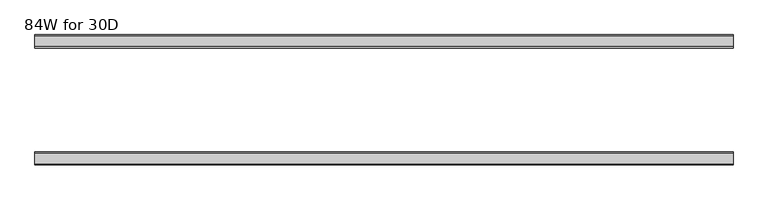
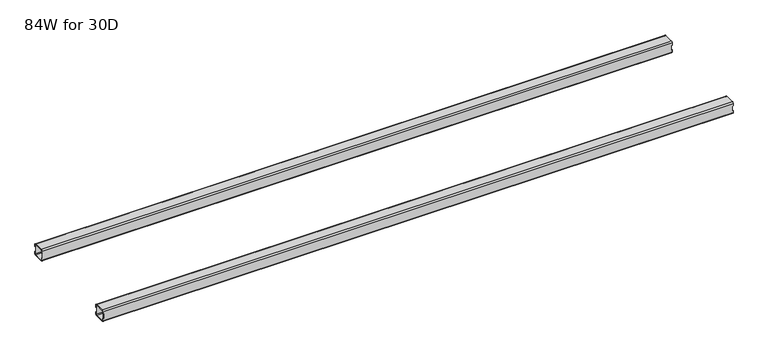
"""IFC4 building model written with IfcOpenShell, lengths in millimetres: furniture geometry, 84W for 30D."""

from ifc_helpers import new_model, si_unit, frame, origin, place, context, project, spatial, polyline, circle_curve, source, transform, mapped, element, save
from ifc_brep_helpers import plane_surface, cylinder_surface, revolved_surface, advanced_brep


def furniture_84w_for_30d_13c526d3(model_context):
    return source(origin(), model_context, "Body", "AdvancedBrep", [
        advanced_brep(
        [(2108.6028, -507.012, 653.351), (2108.6028, -509.012, 651.351), (2108.6028, -541.012, 651.351), (2108.6028, -543.012, 653.351), (2108.6028, -543.012, 660.851), (2108.6028, -545.012, 660.851), (2108.6028, -545.012, 653.351), (2108.6028, -541.012, 649.351), (2108.6028, -509.012, 649.351), (2108.6028, -505.012, 653.351), (2108.6028, -505.012, 660.851), (2108.6028, -507.012, 660.851), (2108.6028, -543.012, 684.975), (2108.6028, -541.012, 686.975), (2108.6028, -509.012, 686.975), (2108.6028, -507.012, 684.975), (2108.6028, -507.012, 677.475), (2108.6028, -505.012, 677.475), (2108.6028, -505.012, 684.975), (2108.6028, -509.012, 688.975), (2108.6028, -541.012, 688.975), (2108.6028, -545.012, 684.975), (2108.6028, -545.012, 677.475), (2108.6028, -543.012, 677.475), (22.0, -507.012, 684.975), (22.0, -509.012, 686.975), (22.0, -541.012, 686.975), (22.0, -543.012, 684.975), (22.0, -543.012, 677.475), (22.0, -545.012, 677.475), (22.0, -545.012, 684.975), (22.0, -541.012, 688.975), (22.0, -509.012, 688.975), (22.0, -505.012, 684.975), (22.0, -505.012, 677.475), (22.0, -507.012, 677.475), (22.0, -543.012, 653.351), (22.0, -541.012, 651.351), (22.0, -509.012, 651.351), (22.0, -507.012, 653.351), (22.0, -507.012, 660.851), (22.0, -505.012, 660.851), (22.0, -505.012, 653.351), (22.0, -509.012, 649.351), (22.0, -541.012, 649.351), (22.0, -545.012, 653.351), (22.0, -545.012, 660.851), (22.0, -543.012, 660.851), (23.365, -543.012, 660.851), (24.0, -543.012, 661.486), (24.0, -543.012, 676.84), (23.365, -543.012, 677.475), (2107.2378, -543.012, 677.475), (2106.6028, -543.012, 676.84), (2106.6028, -543.012, 661.486), (2107.2378, -543.012, 660.851), (2107.2378, -507.012, 660.851), (2106.6028, -507.012, 661.486), (2106.6028, -507.012, 676.84), (2107.2378, -507.012, 677.475), (23.365, -507.012, 677.475), (24.0, -507.012, 676.84), (24.0, -507.012, 661.486), (23.365, -507.012, 660.851), (23.365, -545.012, 677.475), (24.0, -545.012, 676.84), (24.0, -545.012, 661.486), (23.365, -545.012, 660.851), (2107.2378, -545.012, 660.851), (2106.6028, -545.012, 661.486), (2106.6028, -545.012, 676.84), (2107.2378, -545.012, 677.475), (2107.2378, -505.012, 677.475), (2106.6028, -505.012, 676.84), (2106.6028, -505.012, 661.486), (2107.2378, -505.012, 660.851), (23.365, -505.012, 660.851), (24.0, -505.012, 661.486), (24.0, -505.012, 676.84), (23.365, -505.012, 677.475)],
        [
            (0, 1, circle_curve(frame((2108.6028, -509.012, 653.351), z_axis=(-1.0, 0.0, 0.0), x_axis=(0.0, 1.0, 0.0)), 2.0)),
            (1, 2),
            (2, 3, circle_curve(frame((2108.6028, -541.012, 653.351), z_axis=(-1.0, 0.0, 0.0), x_axis=(0.0, 1.0, 0.0)), 2.0)),
            (3, 4),
            (4, 5),
            (5, 6),
            (6, 7, circle_curve(frame((2108.6028, -541.012, 653.351), z_axis=(1.0, 0.0, 0.0), x_axis=(0.0, 1.0, 0.0)), 4.0)),
            (7, 8),
            (8, 9, circle_curve(frame((2108.6028, -509.012, 653.351), z_axis=(1.0, 0.0, 0.0), x_axis=(0.0, 1.0, 0.0)), 4.0)),
            (9, 10),
            (10, 11),
            (11, 0),
            (12, 13, circle_curve(frame((2108.6028, -541.012, 684.975), z_axis=(-1.0, 0.0, 0.0), x_axis=(0.0, 1.0, 0.0)), 2.0)),
            (13, 14),
            (14, 15, circle_curve(frame((2108.6028, -509.012, 684.975), z_axis=(-1.0, 0.0, 0.0), x_axis=(0.0, 1.0, 0.0)), 2.0)),
            (15, 16),
            (16, 17),
            (17, 18),
            (18, 19, circle_curve(frame((2108.6028, -509.012, 684.975), z_axis=(1.0, 0.0, 0.0), x_axis=(0.0, 1.0, 0.0)), 4.0)),
            (19, 20),
            (20, 21, circle_curve(frame((2108.6028, -541.012, 684.975), z_axis=(1.0, 0.0, 0.0), x_axis=(0.0, 1.0, 0.0)), 4.0)),
            (21, 22),
            (22, 23),
            (23, 12),
            (24, 25, circle_curve(frame((22.0, -509.012, 684.975), z_axis=(1.0, 0.0, 0.0), x_axis=(0.0, 1.0, 0.0)), 2.0)),
            (25, 26),
            (26, 27, circle_curve(frame((22.0, -541.012, 684.975), z_axis=(1.0, 0.0, 0.0), x_axis=(0.0, 1.0, 0.0)), 2.0)),
            (27, 28),
            (28, 29),
            (29, 30),
            (30, 31, circle_curve(frame((22.0, -541.012, 684.975), z_axis=(-1.0, 0.0, 0.0), x_axis=(0.0, 1.0, 0.0)), 4.0)),
            (31, 32),
            (32, 33, circle_curve(frame((22.0, -509.012, 684.975), z_axis=(-1.0, 0.0, 0.0), x_axis=(0.0, 1.0, 0.0)), 4.0)),
            (33, 34),
            (34, 35),
            (35, 24),
            (36, 37, circle_curve(frame((22.0, -541.012, 653.351), z_axis=(1.0, 0.0, 0.0), x_axis=(0.0, 1.0, 0.0)), 2.0)),
            (37, 38),
            (38, 39, circle_curve(frame((22.0, -509.012, 653.351), z_axis=(1.0, 0.0, 0.0), x_axis=(0.0, 1.0, 0.0)), 2.0)),
            (39, 40),
            (40, 41),
            (41, 42),
            (42, 43, circle_curve(frame((22.0, -509.012, 653.351), z_axis=(-1.0, 0.0, 0.0), x_axis=(0.0, 1.0, 0.0)), 4.0)),
            (43, 44),
            (44, 45, circle_curve(frame((22.0, -541.012, 653.351), z_axis=(-1.0, 0.0, 0.0), x_axis=(0.0, 1.0, 0.0)), 4.0)),
            (45, 46),
            (46, 47),
            (47, 36),
            (0, 39),
            (38, 1),
            (37, 2),
            (36, 3),
            (47, 48),
            (48, 49, circle_curve(frame((23.365, -543.012, 661.486), z_axis=(0.0, -1.0, 0.0), x_axis=(1.0, 0.0, 0.0)), 0.635)),
            (49, 50),
            (50, 51, circle_curve(frame((23.365, -543.012, 676.84), z_axis=(0.0, -1.0, 0.0), x_axis=(1.0, 0.0, 0.0)), 0.635)),
            (51, 28),
            (27, 12),
            (23, 52),
            (52, 53, circle_curve(frame((2107.2378, -543.012, 676.84), z_axis=(0.0, -1.0, 0.0), x_axis=(1.0, 0.0, 0.0)), 0.635)),
            (53, 54),
            (54, 55, circle_curve(frame((2107.2378, -543.012, 661.486), z_axis=(0.0, -1.0, 0.0), x_axis=(1.0, 0.0, 0.0)), 0.635)),
            (55, 4),
            (26, 13),
            (25, 14),
            (24, 15),
            (11, 56),
            (56, 57, circle_curve(frame((2107.2378, -507.012, 661.486), z_axis=(0.0, 1.0, 0.0), x_axis=(1.0, 0.0, 0.0)), 0.635)),
            (57, 58),
            (58, 59, circle_curve(frame((2107.2378, -507.012, 676.84), z_axis=(0.0, 1.0, 0.0), x_axis=(1.0, 0.0, 0.0)), 0.635)),
            (59, 16),
            (35, 60),
            (60, 61, circle_curve(frame((23.365, -507.012, 676.84), z_axis=(0.0, 1.0, 0.0), x_axis=(1.0, 0.0, 0.0)), 0.635)),
            (61, 62),
            (62, 63, circle_curve(frame((23.365, -507.012, 661.486), z_axis=(0.0, 1.0, 0.0), x_axis=(1.0, 0.0, 0.0)), 0.635)),
            (63, 40),
            (18, 33),
            (32, 19),
            (31, 20),
            (30, 21),
            (29, 64),
            (64, 65, circle_curve(frame((23.365, -545.012, 676.84), z_axis=(0.0, 1.0, 0.0), x_axis=(1.0, 0.0, 0.0)), 0.635)),
            (65, 66),
            (66, 67, circle_curve(frame((23.365, -545.012, 661.486), z_axis=(0.0, 1.0, 0.0), x_axis=(1.0, 0.0, 0.0)), 0.635)),
            (67, 46),
            (45, 6),
            (5, 68),
            (68, 69, circle_curve(frame((2107.2378, -545.012, 661.486), z_axis=(0.0, 1.0, 0.0), x_axis=(1.0, 0.0, 0.0)), 0.635)),
            (69, 70),
            (70, 71, circle_curve(frame((2107.2378, -545.012, 676.84), z_axis=(0.0, 1.0, 0.0), x_axis=(1.0, 0.0, 0.0)), 0.635)),
            (71, 22),
            (44, 7),
            (43, 8),
            (42, 9),
            (17, 72),
            (72, 73, circle_curve(frame((2107.2378, -505.012, 676.84), z_axis=(0.0, -1.0, 0.0), x_axis=(1.0, 0.0, 0.0)), 0.635)),
            (73, 74),
            (74, 75, circle_curve(frame((2107.2378, -505.012, 661.486), z_axis=(0.0, -1.0, 0.0), x_axis=(1.0, 0.0, 0.0)), 0.635)),
            (75, 10),
            (41, 76),
            (76, 77, circle_curve(frame((23.365, -505.012, 661.486), z_axis=(0.0, -1.0, 0.0), x_axis=(1.0, 0.0, 0.0)), 0.635)),
            (77, 78),
            (78, 79, circle_curve(frame((23.365, -505.012, 676.84), z_axis=(0.0, -1.0, 0.0), x_axis=(1.0, 0.0, 0.0)), 0.635)),
            (79, 34),
            (71, 52),
            (59, 72),
            (70, 53),
            (58, 73),
            (69, 54),
            (57, 74),
            (68, 55),
            (56, 75),
            (51, 64),
            (79, 60),
            (67, 48),
            (63, 76),
            (66, 49),
            (62, 77),
            (65, 50),
            (61, 78),
        ],
        [
            plane_surface(frame((2108.6028, -507.012, 653.351), z_axis=(1.0, 0.0, 0.0), x_axis=(0.0, 0.0, -1.0))),
            plane_surface(frame((22.0, -507.012, 653.351), z_axis=(-1.0, 0.0, 0.0), x_axis=(0.0, 0.0, 1.0))),
            revolved_surface(polyline([(22.0, -507.012, 653.351), (2108.6028, -507.012, 653.351)]), (22.0, -509.012, 653.351), (-1.0, 0.0, 0.0)),
            plane_surface(frame((2108.6028, -509.012, 651.351), z_axis=(0.0, -5.198608210600595e-12, 1.0), x_axis=(-1.0, 0.0, 0.0))),
            revolved_surface(polyline([(22.0, -539.012, 653.351), (2108.6028, -539.012, 653.351)]), (22.0, -541.012, 653.351), (-1.0, 0.0, 0.0)),
            plane_surface(frame((2108.6028, -543.012, 653.351), z_axis=(0.0, 1.0, 0.0), x_axis=(-1.0, 0.0, 0.0))),
            revolved_surface(polyline([(22.0, -539.012, 684.975), (2108.6028, -539.012, 684.975)]), (22.0, -541.012, 684.975), (-1.0, 0.0, 0.0)),
            plane_surface(frame((2108.6028, -541.012, 686.975), z_axis=(0.0, 0.0, -1.0), x_axis=(-1.0, 0.0, 0.0))),
            revolved_surface(polyline([(22.0, -507.012, 684.975), (2108.6028, -507.012, 684.975)]), (22.0, -509.012, 684.975), (-1.0, 0.0, 0.0)),
            plane_surface(frame((2108.6028, -507.012, 684.975), z_axis=(0.0, -1.0, 0.0), x_axis=(-1.0, 0.0, 0.0))),
            cylinder_surface(frame((0.0, -509.012, 684.975), z_axis=(1.0, 0.0, 0.0), x_axis=(0.0, 1.0, 0.0)), 4.0),
            plane_surface(frame((2108.6028, -509.012, 688.975), z_axis=(0.0, 0.0, 1.0), x_axis=(-1.0, 0.0, 0.0))),
            cylinder_surface(frame((0.0, -541.012, 684.975), z_axis=(1.0, 0.0, 0.0), x_axis=(0.0, 1.0, 0.0)), 4.0),
            plane_surface(frame((2108.6028, -545.012, 684.975), z_axis=(0.0, -1.0, 0.0), x_axis=(-1.0, 0.0, 0.0))),
            cylinder_surface(frame((0.0, -541.012, 653.351), z_axis=(1.0, 0.0, 0.0), x_axis=(0.0, 1.0, 0.0)), 4.0),
            plane_surface(frame((2108.6028, -541.012, 649.351), z_axis=(0.0, 0.0, -1.0), x_axis=(-1.0, 0.0, 0.0))),
            cylinder_surface(frame((0.0, -509.012, 653.351), z_axis=(1.0, 0.0, 0.0), x_axis=(0.0, 1.0, 0.0)), 4.0),
            plane_surface(frame((2108.6028, -505.012, 653.351), z_axis=(0.0, 1.0, -5.2518576384018155e-12), x_axis=(-1.0, 0.0, 0.0))),
            plane_surface(frame((2108.6028, -545.012, 677.475), z_axis=(1.130465684452016e-11, 0.0, -1.0), x_axis=(0.0, 1.0, 0.0))),
            revolved_surface(polyline([(2107.8728, -545.012, 676.84), (2107.8728, -543.012, 676.84)]), (2107.2378, -505.012, 676.84), (0.0, -1.0, 0.0)),
            revolved_surface(polyline([(2107.8728, -507.012, 676.84), (2107.8728, -505.012, 676.84)]), (2107.2378, -505.012, 676.84), (0.0, -1.0, 0.0)),
            plane_surface(frame((2106.6028, -545.012, 676.84), z_axis=(1.0, 0.0, 0.0), x_axis=(0.0, 1.0, 0.0))),
            revolved_surface(polyline([(2107.8728, -545.012, 661.486), (2107.8728, -543.012, 661.486)]), (2107.2378, -505.012, 661.486), (0.0, -1.0, 0.0)),
            revolved_surface(polyline([(2107.8728, -507.012, 661.486), (2107.8728, -505.012, 661.486)]), (2107.2378, -505.012, 661.486), (0.0, -1.0, 0.0)),
            plane_surface(frame((2107.2378, -545.012, 660.851), z_axis=(0.0, 0.0, 1.0), x_axis=(0.0, 1.0, 0.0))),
            plane_surface(frame((23.365, -545.012, 677.475), z_axis=(0.0, 0.0, -1.0), x_axis=(0.0, 1.0, 0.0))),
            plane_surface(frame((22.0, -545.012, 660.851), z_axis=(-1.1502984157403295e-11, 0.0, 1.0), x_axis=(0.0, 1.0, 0.0))),
            revolved_surface(polyline([(24.0, -545.012, 661.486), (24.0, -543.012, 661.486)]), (23.365, -505.012, 661.486), (0.0, -1.0, 0.0)),
            revolved_surface(polyline([(24.0, -507.012, 661.486), (24.0, -505.012, 661.486)]), (23.365, -505.012, 661.486), (0.0, -1.0, 0.0)),
            plane_surface(frame((24.0, -545.012, 661.486), z_axis=(-1.0, 0.0, 0.0), x_axis=(0.0, 1.0, 0.0))),
            revolved_surface(polyline([(24.0, -545.012, 676.84), (24.0, -543.012, 676.84)]), (23.365, -505.012, 676.84), (0.0, -1.0, 0.0)),
            revolved_surface(polyline([(24.0, -507.012, 676.84), (24.0, -505.012, 676.84)]), (23.365, -505.012, 676.84), (0.0, -1.0, 0.0)),
        ],
        [
            (0, [[1, 2, 3, 4, 5, 6, 7, 8, 9, 10, 11, 12]]),
            (0, [[13, 14, 15, 16, 17, 18, 19, 20, 21, 22, 23, 24]]),
            (1, [[25, 26, 27, 28, 29, 30, 31, 32, 33, 34, 35, 36]]),
            (1, [[37, 38, 39, 40, 41, 42, 43, 44, 45, 46, 47, 48]]),
            (2, [[-1, 49, -39, 50]]),
            (3, [[-2, -50, -38, 51]]),
            (4, [[-3, -51, -37, 52]]),
            (5, [[-52, -48, 53, 54, 55, 56, 57, -28, 58, -24, 59, 60, 61, 62, 63, -4]]),
            (6, [[-13, -58, -27, 64]]),
            (7, [[-14, -64, -26, 65]]),
            (8, [[-15, -65, -25, 66]]),
            (9, [[-49, -12, 67, 68, 69, 70, 71, -16, -66, -36, 72, 73, 74, 75, 76, -40]]),
            (10, [[-19, 77, -33, 78]]),
            (11, [[-20, -78, -32, 79]]),
            (12, [[-21, -79, -31, 80]]),
            (13, [[-80, -30, 81, 82, 83, 84, 85, -46, 86, -6, 87, 88, 89, 90, 91, -22]]),
            (14, [[-7, -86, -45, 92]]),
            (15, [[-8, -92, -44, 93]]),
            (16, [[-9, -93, -43, 94]]),
            (17, [[-77, -18, 95, 96, 97, 98, 99, -10, -94, -42, 100, 101, 102, 103, 104, -34]]),
            (18, [[105, -59, -23, -91]]),
            (18, [[106, -95, -17, -71]]),
            (19, [[-105, -90, 107, -60]]),
            (20, [[-106, -70, 108, -96]]),
            (21, [[-107, -89, 109, -61]]),
            (21, [[-108, -69, 110, -97]]),
            (22, [[-109, -88, 111, -62]]),
            (23, [[-110, -68, 112, -98]]),
            (24, [[-111, -87, -5, -63]]),
            (24, [[-112, -67, -11, -99]]),
            (25, [[113, -81, -29, -57]]),
            (25, [[114, -72, -35, -104]]),
            (26, [[115, -53, -47, -85]]),
            (26, [[116, -100, -41, -76]]),
            (27, [[-115, -84, 117, -54]]),
            (28, [[-116, -75, 118, -101]]),
            (29, [[-117, -83, 119, -55]]),
            (29, [[-118, -74, 120, -102]]),
            (30, [[-113, -56, -119, -82]]),
            (31, [[-114, -103, -120, -73]]),
        ],
    ),
        advanced_brep(
        [(2108.6028, -192.9996202, 684.975), (2108.6028, -190.9996202, 686.975), (2108.6028, -159.0003798, 686.975), (2108.6028, -157.0003798, 684.975), (2108.6028, -157.0003798, 677.475), (2108.6028, -155.0003798, 677.475), (2108.6028, -155.0003798, 684.975), (2108.6028, -159.0003798, 688.975), (2108.6028, -190.9996202, 688.975), (2108.6028, -194.9996202, 684.975), (2108.6028, -194.9996202, 677.475), (2108.6028, -192.9996202, 677.475), (2108.6028, -157.0003798, 653.351), (2108.6028, -159.0003798, 651.351), (2108.6028, -190.9996202, 651.351), (2108.6028, -192.9996202, 653.351), (2108.6028, -192.9996202, 660.851), (2108.6028, -194.9996202, 660.851), (2108.6028, -194.9996202, 653.351), (2108.6028, -190.9996202, 649.351), (2108.6028, -159.0003798, 649.351), (2108.6028, -155.0003798, 653.351), (2108.6028, -155.0003798, 660.851), (2108.6028, -157.0003798, 660.851), (22.0, -192.9996202, 653.351), (22.0, -190.9996202, 651.351), (22.0, -159.0003798, 651.351), (22.0, -157.0003798, 653.351), (22.0, -157.0003798, 660.851), (22.0, -155.0003798, 660.851), (22.0, -155.0003798, 653.351), (22.0, -159.0003798, 649.351), (22.0, -190.9996202, 649.351), (22.0, -194.9996202, 653.351), (22.0, -194.9996202, 660.851), (22.0, -192.9996202, 660.851), (22.0, -157.0003798, 684.975), (22.0, -159.0003798, 686.975), (22.0, -190.9996202, 686.975), (22.0, -192.9996202, 684.975), (22.0, -192.9996202, 677.475), (22.0, -194.9996202, 677.475), (22.0, -194.9996202, 684.975), (22.0, -190.9996202, 688.975), (22.0, -159.0003798, 688.975), (22.0, -155.0003798, 684.975), (22.0, -155.0003798, 677.475), (22.0, -157.0003798, 677.475), (2107.2378, -157.0003798, 660.851), (2106.6028, -157.0003798, 661.486), (2106.6028, -157.0003798, 676.84), (2107.2378, -157.0003798, 677.475), (23.365, -157.0003798, 677.475), (24.0, -157.0003798, 676.84), (24.0, -157.0003798, 661.486), (23.365, -157.0003798, 660.851), (23.365, -192.9996202, 660.851), (24.0, -192.9996202, 661.486), (24.0, -192.9996202, 676.84), (23.365, -192.9996202, 677.475), (2107.2378, -192.9996202, 677.475), (2106.6028, -192.9996202, 676.84), (2106.6028, -192.9996202, 661.486), (2107.2378, -192.9996202, 660.851), (2107.2378, -155.0003798, 677.475), (2106.6028, -155.0003798, 676.84), (2106.6028, -155.0003798, 661.486), (2107.2378, -155.0003798, 660.851), (23.365, -155.0003798, 660.851), (24.0, -155.0003798, 661.486), (24.0, -155.0003798, 676.84), (23.365, -155.0003798, 677.475), (23.365, -194.9996202, 677.475), (24.0, -194.9996202, 676.84), (24.0, -194.9996202, 661.486), (23.365, -194.9996202, 660.851), (2107.2378, -194.9996202, 660.851), (2106.6028, -194.9996202, 661.486), (2106.6028, -194.9996202, 676.84), (2107.2378, -194.9996202, 677.475)],
        [
            (0, 1, circle_curve(frame((2108.6028, -190.9996202, 684.975), z_axis=(-1.0, 0.0, 0.0), x_axis=(0.0, -1.0, 0.0)), 2.0)),
            (1, 2),
            (2, 3, circle_curve(frame((2108.6028, -159.0003798, 684.975), z_axis=(-1.0, 0.0, 0.0), x_axis=(0.0, -1.0, 0.0)), 2.0)),
            (3, 4),
            (4, 5),
            (5, 6),
            (6, 7, circle_curve(frame((2108.6028, -159.0003798, 684.975), z_axis=(1.0, 0.0, 0.0), x_axis=(0.0, -1.0, 0.0)), 4.0)),
            (7, 8),
            (8, 9, circle_curve(frame((2108.6028, -190.9996202, 684.975), z_axis=(1.0, 0.0, 0.0), x_axis=(0.0, -1.0, 0.0)), 4.0)),
            (9, 10),
            (10, 11),
            (11, 0),
            (12, 13, circle_curve(frame((2108.6028, -159.0003798, 653.351), z_axis=(-1.0, 0.0, 0.0), x_axis=(0.0, -1.0, 0.0)), 2.0)),
            (13, 14),
            (14, 15, circle_curve(frame((2108.6028, -190.9996202, 653.351), z_axis=(-1.0, 0.0, 0.0), x_axis=(0.0, -1.0, 0.0)), 2.0)),
            (15, 16),
            (16, 17),
            (17, 18),
            (18, 19, circle_curve(frame((2108.6028, -190.9996202, 653.351), z_axis=(1.0, 0.0, 0.0), x_axis=(0.0, -1.0, 0.0)), 4.0)),
            (19, 20),
            (20, 21, circle_curve(frame((2108.6028, -159.0003798, 653.351), z_axis=(1.0, 0.0, 0.0), x_axis=(0.0, -1.0, 0.0)), 4.0)),
            (21, 22),
            (22, 23),
            (23, 12),
            (24, 25, circle_curve(frame((22.0, -190.9996202, 653.351), z_axis=(1.0, 0.0, 0.0), x_axis=(0.0, -1.0, 0.0)), 2.0)),
            (25, 26),
            (26, 27, circle_curve(frame((22.0, -159.0003798, 653.351), z_axis=(1.0, 0.0, 0.0), x_axis=(0.0, -1.0, 0.0)), 2.0)),
            (27, 28),
            (28, 29),
            (29, 30),
            (30, 31, circle_curve(frame((22.0, -159.0003798, 653.351), z_axis=(-1.0, 0.0, 0.0), x_axis=(0.0, -1.0, 0.0)), 4.0)),
            (31, 32),
            (32, 33, circle_curve(frame((22.0, -190.9996202, 653.351), z_axis=(-1.0, 0.0, 0.0), x_axis=(0.0, -1.0, 0.0)), 4.0)),
            (33, 34),
            (34, 35),
            (35, 24),
            (36, 37, circle_curve(frame((22.0, -159.0003798, 684.975), z_axis=(1.0, 0.0, 0.0), x_axis=(0.0, -1.0, 0.0)), 2.0)),
            (37, 38),
            (38, 39, circle_curve(frame((22.0, -190.9996202, 684.975), z_axis=(1.0, 0.0, 0.0), x_axis=(0.0, -1.0, 0.0)), 2.0)),
            (39, 40),
            (40, 41),
            (41, 42),
            (42, 43, circle_curve(frame((22.0, -190.9996202, 684.975), z_axis=(-1.0, 0.0, 0.0), x_axis=(0.0, -1.0, 0.0)), 4.0)),
            (43, 44),
            (44, 45, circle_curve(frame((22.0, -159.0003798, 684.975), z_axis=(-1.0, 0.0, 0.0), x_axis=(0.0, -1.0, 0.0)), 4.0)),
            (45, 46),
            (46, 47),
            (47, 36),
            (14, 25),
            (24, 15),
            (13, 26),
            (12, 27),
            (23, 48),
            (48, 49, circle_curve(frame((2107.2378, -157.0003798, 661.486), z_axis=(0.0, 1.0, 0.0), x_axis=(1.0, 0.0, 0.0)), 0.635)),
            (49, 50),
            (50, 51, circle_curve(frame((2107.2378, -157.0003798, 676.84), z_axis=(0.0, 1.0, 0.0), x_axis=(1.0, 0.0, 0.0)), 0.635)),
            (51, 4),
            (3, 36),
            (47, 52),
            (52, 53, circle_curve(frame((23.365, -157.0003798, 676.84), z_axis=(0.0, 1.0, 0.0), x_axis=(1.0, 0.0, 0.0)), 0.635)),
            (53, 54),
            (54, 55, circle_curve(frame((23.365, -157.0003798, 661.486), z_axis=(0.0, 1.0, 0.0), x_axis=(1.0, 0.0, 0.0)), 0.635)),
            (55, 28),
            (2, 37),
            (1, 38),
            (0, 39),
            (35, 56),
            (56, 57, circle_curve(frame((23.365, -192.9996202, 661.486), z_axis=(0.0, -1.0, 0.0), x_axis=(1.0, 0.0, 0.0)), 0.635)),
            (57, 58),
            (58, 59, circle_curve(frame((23.365, -192.9996202, 676.84), z_axis=(0.0, -1.0, 0.0), x_axis=(1.0, 0.0, 0.0)), 0.635)),
            (59, 40),
            (11, 60),
            (60, 61, circle_curve(frame((2107.2378, -192.9996202, 676.84), z_axis=(0.0, -1.0, 0.0), x_axis=(1.0, 0.0, 0.0)), 0.635)),
            (61, 62),
            (62, 63, circle_curve(frame((2107.2378, -192.9996202, 661.486), z_axis=(0.0, -1.0, 0.0), x_axis=(1.0, 0.0, 0.0)), 0.635)),
            (63, 16),
            (8, 43),
            (42, 9),
            (7, 44),
            (6, 45),
            (5, 64),
            (64, 65, circle_curve(frame((2107.2378, -155.0003798, 676.84), z_axis=(0.0, -1.0, 0.0), x_axis=(1.0, 0.0, 0.0)), 0.635)),
            (65, 66),
            (66, 67, circle_curve(frame((2107.2378, -155.0003798, 661.486), z_axis=(0.0, -1.0, 0.0), x_axis=(1.0, 0.0, 0.0)), 0.635)),
            (67, 22),
            (21, 30),
            (29, 68),
            (68, 69, circle_curve(frame((23.365, -155.0003798, 661.486), z_axis=(0.0, -1.0, 0.0), x_axis=(1.0, 0.0, 0.0)), 0.635)),
            (69, 70),
            (70, 71, circle_curve(frame((23.365, -155.0003798, 676.84), z_axis=(0.0, -1.0, 0.0), x_axis=(1.0, 0.0, 0.0)), 0.635)),
            (71, 46),
            (20, 31),
            (19, 32),
            (18, 33),
            (41, 72),
            (72, 73, circle_curve(frame((23.365, -194.9996202, 676.84), z_axis=(0.0, 1.0, 0.0), x_axis=(1.0, 0.0, 0.0)), 0.635)),
            (73, 74),
            (74, 75, circle_curve(frame((23.365, -194.9996202, 661.486), z_axis=(0.0, 1.0, 0.0), x_axis=(1.0, 0.0, 0.0)), 0.635)),
            (75, 34),
            (17, 76),
            (76, 77, circle_curve(frame((2107.2378, -194.9996202, 661.486), z_axis=(0.0, 1.0, 0.0), x_axis=(1.0, 0.0, 0.0)), 0.635)),
            (77, 78),
            (78, 79, circle_curve(frame((2107.2378, -194.9996202, 676.84), z_axis=(0.0, 1.0, 0.0), x_axis=(1.0, 0.0, 0.0)), 0.635)),
            (79, 10),
            (51, 64),
            (79, 60),
            (50, 65),
            (78, 61),
            (49, 66),
            (77, 62),
            (48, 67),
            (76, 63),
            (71, 52),
            (59, 72),
            (55, 68),
            (75, 56),
            (54, 69),
            (74, 57),
            (53, 70),
            (73, 58),
        ],
        [
            plane_surface(frame((2108.6028, -192.9996202, 684.975), z_axis=(1.0, 0.0, 0.0), x_axis=(0.0, 0.0, 1.0))),
            plane_surface(frame((22.0, -192.9996202, 684.975), z_axis=(-1.0, 0.0, 0.0), x_axis=(0.0, 0.0, -1.0))),
            revolved_surface(polyline([(22.0, -192.9996202, 653.351), (2108.6028, -192.9996202, 653.351)]), (22.0, -190.9996202, 653.351), (-1.0, 0.0, 0.0)),
            plane_surface(frame((2108.6028, -159.0003798, 651.351), z_axis=(0.0, 0.0, 1.0), x_axis=(-1.0, 0.0, 0.0))),
            revolved_surface(polyline([(22.0, -161.0003798, 653.351), (2108.6028, -161.0003798, 653.351)]), (22.0, -159.0003798, 653.351), (-1.0, 0.0, 0.0)),
            plane_surface(frame((2108.6028, -157.0003798, 684.975), z_axis=(0.0, -1.0, 0.0), x_axis=(-1.0, 0.0, 0.0))),
            revolved_surface(polyline([(22.0, -161.0003798, 684.975), (2108.6028, -161.0003798, 684.975)]), (22.0, -159.0003798, 684.975), (-1.0, 0.0, 0.0)),
            plane_surface(frame((2108.6028, -190.9996202, 686.975), z_axis=(0.0, 0.0, -1.0), x_axis=(-1.0, 0.0, 0.0))),
            revolved_surface(polyline([(22.0, -192.9996202, 684.975), (2108.6028, -192.9996202, 684.975)]), (22.0, -190.9996202, 684.975), (-1.0, 0.0, 0.0)),
            plane_surface(frame((2108.6028, -192.9996202, 653.351), z_axis=(0.0, 1.0, 0.0), x_axis=(-1.0, 0.0, 0.0))),
            cylinder_surface(frame((0.0, -190.9996202, 684.975), z_axis=(1.0, 0.0, 0.0), x_axis=(0.0, -1.0, 0.0)), 4.0),
            plane_surface(frame((2108.6028, -159.0003798, 688.975), z_axis=(0.0, 0.0, 1.0), x_axis=(-1.0, 0.0, 0.0))),
            cylinder_surface(frame((0.0, -159.0003798, 684.975), z_axis=(1.0, 0.0, 0.0), x_axis=(0.0, -1.0, 0.0)), 4.0),
            plane_surface(frame((2108.6028, -155.0003798, 653.351), z_axis=(0.0, 1.0, 0.0), x_axis=(-1.0, 0.0, 0.0))),
            cylinder_surface(frame((0.0, -159.0003798, 653.351), z_axis=(1.0, 0.0, 0.0), x_axis=(0.0, -1.0, 0.0)), 4.0),
            plane_surface(frame((2108.6028, -190.9996202, 649.351), z_axis=(0.0, 0.0, -1.0), x_axis=(-1.0, 0.0, 0.0))),
            cylinder_surface(frame((0.0, -190.9996202, 653.351), z_axis=(1.0, 0.0, 0.0), x_axis=(0.0, -1.0, 0.0)), 4.0),
            plane_surface(frame((2108.6028, -194.9996202, 684.975), z_axis=(0.0, -1.0, 0.0), x_axis=(-1.0, 0.0, 0.0))),
            plane_surface(frame((2107.2378, -155.0003798, 677.475), z_axis=(-8.468576266924131e-11, 0.0, -1.0), x_axis=(0.0, -1.0, 0.0))),
            revolved_surface(polyline([(2107.8728, -155.0003798, 676.84), (2107.8728, -157.0003798, 676.84)]), (2107.2378, -194.9996202, 676.84), (0.0, 1.0, 0.0)),
            revolved_surface(polyline([(2107.8728, -192.9996202, 676.84), (2107.8728, -194.9996202, 676.84)]), (2107.2378, -194.9996202, 676.84), (0.0, 1.0, 0.0)),
            plane_surface(frame((2106.6028, -155.0003798, 661.486), z_axis=(1.0, 0.0, 6.100560549954068e-12), x_axis=(0.0, -1.0, 0.0))),
            revolved_surface(polyline([(2107.8728, -155.0003798, 661.486), (2107.8728, -157.0003798, 661.486)]), (2107.2378, -194.9996202, 661.486), (0.0, 1.0, 0.0)),
            revolved_surface(polyline([(2107.8728, -192.9996202, 661.486), (2107.8728, -194.9996202, 661.486)]), (2107.2378, -194.9996202, 661.486), (0.0, 1.0, 0.0)),
            plane_surface(frame((2108.6028, -155.0003798, 660.851), z_axis=(0.0, 0.0, 1.0), x_axis=(0.0, -1.0, 0.0))),
            plane_surface(frame((22.0, -155.0003798, 677.475), z_axis=(0.0, 0.0, -1.0), x_axis=(0.0, -1.0, 0.0))),
            plane_surface(frame((23.365, -155.0003798, 660.851), z_axis=(-2.8559133082148777e-11, 0.0, 1.0), x_axis=(0.0, -1.0, 0.0))),
            revolved_surface(polyline([(24.0, -155.0003798, 661.486), (24.0, -157.0003798, 661.486)]), (23.365, -194.9996202, 661.486), (0.0, 1.0, 0.0)),
            revolved_surface(polyline([(24.0, -192.9996202, 661.486), (24.0, -194.9996202, 661.486)]), (23.365, -194.9996202, 661.486), (0.0, 1.0, 0.0)),
            plane_surface(frame((24.0, -155.0003798, 676.84), z_axis=(-1.0, 0.0, 3.414484621396347e-12), x_axis=(0.0, -1.0, 0.0))),
            revolved_surface(polyline([(24.0, -155.0003798, 676.84), (24.0, -157.0003798, 676.84)]), (23.365, -194.9996202, 676.84), (0.0, 1.0, 0.0)),
            revolved_surface(polyline([(24.0, -192.9996202, 676.84), (24.0, -194.9996202, 676.84)]), (23.365, -194.9996202, 676.84), (0.0, 1.0, 0.0)),
        ],
        [
            (0, [[1, 2, 3, 4, 5, 6, 7, 8, 9, 10, 11, 12]]),
            (0, [[13, 14, 15, 16, 17, 18, 19, 20, 21, 22, 23, 24]]),
            (1, [[25, 26, 27, 28, 29, 30, 31, 32, 33, 34, 35, 36]]),
            (1, [[37, 38, 39, 40, 41, 42, 43, 44, 45, 46, 47, 48]]),
            (2, [[-15, 49, -25, 50]]),
            (3, [[-14, 51, -26, -49]]),
            (4, [[-13, 52, -27, -51]]),
            (5, [[-52, -24, 53, 54, 55, 56, 57, -4, 58, -48, 59, 60, 61, 62, 63, -28]]),
            (6, [[-3, 64, -37, -58]]),
            (7, [[-2, 65, -38, -64]]),
            (8, [[-1, 66, -39, -65]]),
            (9, [[-50, -36, 67, 68, 69, 70, 71, -40, -66, -12, 72, 73, 74, 75, 76, -16]]),
            (10, [[-9, 77, -43, 78]]),
            (11, [[-8, 79, -44, -77]]),
            (12, [[-7, 80, -45, -79]]),
            (13, [[-80, -6, 81, 82, 83, 84, 85, -22, 86, -30, 87, 88, 89, 90, 91, -46]]),
            (14, [[-21, 92, -31, -86]]),
            (15, [[-20, 93, -32, -92]]),
            (16, [[-19, 94, -33, -93]]),
            (17, [[-78, -42, 95, 96, 97, 98, 99, -34, -94, -18, 100, 101, 102, 103, 104, -10]]),
            (18, [[105, -81, -5, -57]]),
            (18, [[106, -72, -11, -104]]),
            (19, [[-105, -56, 107, -82]]),
            (20, [[-106, -103, 108, -73]]),
            (21, [[-107, -55, 109, -83]]),
            (21, [[-108, -102, 110, -74]]),
            (22, [[-109, -54, 111, -84]]),
            (23, [[-110, -101, 112, -75]]),
            (24, [[-111, -53, -23, -85]]),
            (24, [[-112, -100, -17, -76]]),
            (25, [[113, -59, -47, -91]]),
            (25, [[114, -95, -41, -71]]),
            (26, [[115, -87, -29, -63]]),
            (26, [[116, -67, -35, -99]]),
            (27, [[-115, -62, 117, -88]]),
            (28, [[-116, -98, 118, -68]]),
            (29, [[-117, -61, 119, -89]]),
            (29, [[-118, -97, 120, -69]]),
            (30, [[-119, -60, -113, -90]]),
            (31, [[-120, -96, -114, -70]]),
        ],
    ),
    ])


if __name__ == "__main__":
    model = new_model("IFC4")
    model_context = context("Model", 3, world=origin())
    ifc_project = project(units=[si_unit("LENGTHUNIT", "METRE", prefix="MILLI")], contexts=[model_context])
    site = spatial("IfcSite", under=ifc_project)
    building = spatial("IfcBuilding", under=site)
    placement = place(None, origin())
    furniture_84w_for_30d_shape = furniture_84w_for_30d_13c526d3(model_context)
    element("IfcFurniture", 1, ObjectType="84W for 30D", at=placement, inside=building, context=model_context, shape_type="MappedRepresentation", body=[
        mapped(furniture_84w_for_30d_shape, transform((0.0, 0.0, 0.0), x_axis=(1.0, 0.0, 0.0), y_axis=(0.0, 1.0, 0.0), z_axis=(0.0, 0.0, 1.0))),
    ])
    save(model, "model.ifc")
